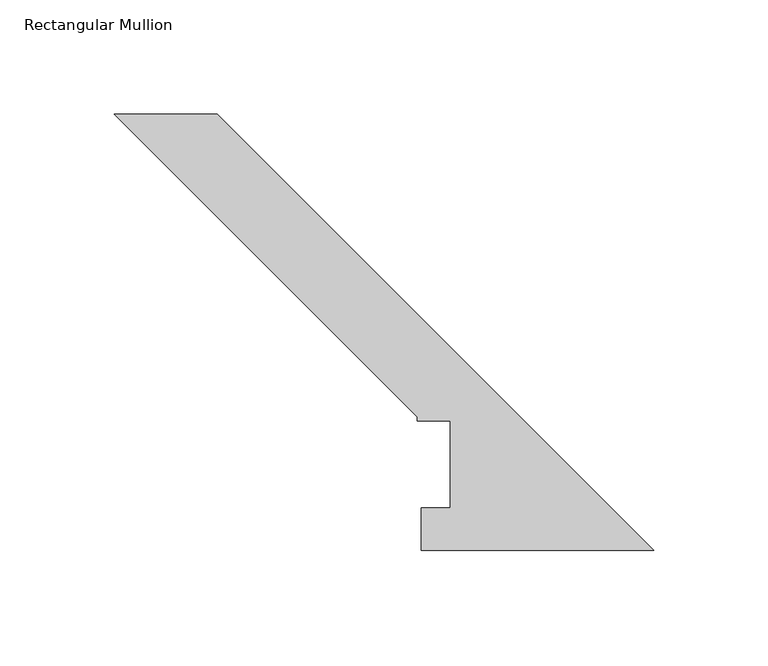
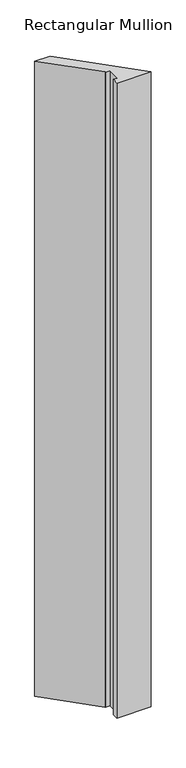
"""IFC4 building model written with IfcOpenShell, lengths in millimetres: member geometry, Rectangular Mullion."""

from ifc_helpers import new_model, si_unit, frame, origin, place, context, project, spatial, polyline, outline, extrude, source, transform, mapped, element, save


def rectangular_mullion_516e4c1d(model_context):
    return source(origin(), model_context, "Body", "SweptSolid", [
        extrude(outline(polyline([(-235.6442703, 190.7294959), (-190.7429897, 190.7294959), (0.0, -0.0134938), (-101.5686806, -0.0134938), (-101.5686806, 18.5539062), (-88.8686806, 18.5539062), (-88.8686806, 56.6539062), (-103.2196806, 56.6539062), (-103.2196806, 58.3049062), (-235.6442703, 190.7294959)])), frame((0.0, 0.0, -1993.9), z_axis=(0.0, 0.0, 1.0), x_axis=(1.0, 0.0, 0.0)), (0.0, 0.0, 1.0), 1993.9),
    ])


if __name__ == "__main__":
    model = new_model("IFC4")
    model_context = context("Model", 3, world=origin())
    ifc_project = project(units=[si_unit("LENGTHUNIT", "METRE", prefix="MILLI")], contexts=[model_context])
    site = spatial("IfcSite", under=ifc_project)
    building = spatial("IfcBuilding", under=site)
    placement = place(None, origin())
    rectangular_mullion_shape = rectangular_mullion_516e4c1d(model_context)
    element("IfcMember", 1, ObjectType="Rectangular Mullion", at=placement, inside=building, context=model_context, shape_type="MappedRepresentation", body=[
        mapped(rectangular_mullion_shape, transform((0.0, 0.0, 0.0), x_axis=(1.0, 0.0, 0.0), y_axis=(0.0, 1.0, 0.0), z_axis=(0.0, 0.0, 1.0))),
    ])
    save(model, "model.ifc")
